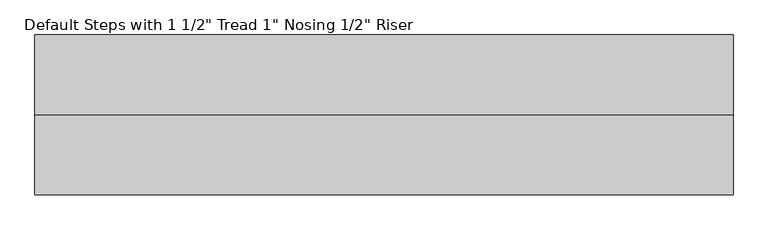
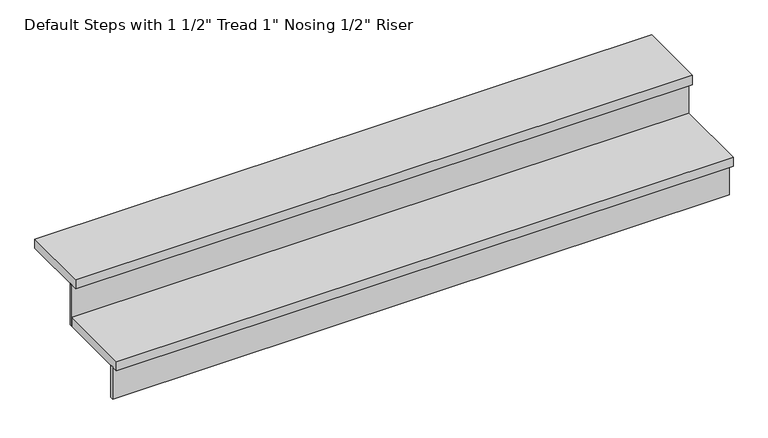
"""IFC4 building model written with IfcOpenShell, lengths in millimetres: stair flight geometry."""

from ifc_helpers import new_model, si_unit, frame, origin, place, context, project, spatial, polyline, outline, extrude, source, transform, mapped, element, save


def stair_flight_0ad82375(model_context):
    return source(origin(), model_context, "Body", "SweptSolid", [
        extrude(outline(polyline([(-106528.2609455, 80127.5534734), (-106528.2609455, 80114.8534734), (-108966.6609455, 80114.8534734), (-108966.6609455, 80127.5534734), (-106528.2609455, 80127.5534734)])), frame((0.0, 0.0, 172.9153846), z_axis=(0.0, 0.0, 1.0), x_axis=(1.0, 0.0, 0.0)), (0.0, 0.0, 1.0), 134.8153846),
        extrude(outline(polyline([(-108966.6609455, 80394.2534734), (-106528.2609455, 80394.2534734), (-106528.2609455, 80089.4534734), (-108966.6609455, 80089.4534734), (-108966.6609455, 80394.2534734)])), frame((0.0, 0.0, 307.7307692), z_axis=(0.0, 0.0, 1.0), x_axis=(1.0, 0.0, 0.0)), (0.0, 0.0, 1.0), 38.1),
        extrude(outline(polyline([(-106528.2609455, 80406.9534734), (-106528.2609455, 80394.2534734), (-108966.6609455, 80394.2534734), (-108966.6609455, 80406.9534734), (-106528.2609455, 80406.9534734)])), frame((0.0, 0.0, 307.7307692), z_axis=(0.0, 0.0, 1.0), x_axis=(1.0, 0.0, 0.0)), (0.0, 0.0, 1.0), 172.9153846),
        extrude(outline(polyline([(-108966.6609455, 80648.2534734), (-106528.2609455, 80648.2534734), (-106528.2609455, 80368.8534734), (-108966.6609455, 80368.8534734), (-108966.6609455, 80648.2534734)])), frame((0.0, 0.0, 480.6461538), z_axis=(0.0, 0.0, 1.0), x_axis=(1.0, 0.0, 0.0)), (0.0, 0.0, 1.0), 38.1),
    ])


if __name__ == "__main__":
    model = new_model("IFC4")
    model_context = context("Model", 3, world=origin())
    ifc_project = project(units=[si_unit("LENGTHUNIT", "METRE", prefix="MILLI")], contexts=[model_context])
    site = spatial("IfcSite", under=ifc_project)
    building = spatial("IfcBuilding", under=site)
    placement = place(None, origin())
    stair_flight_shape = stair_flight_0ad82375(model_context)
    element("IfcStairFlight", 1, ObjectType="Default Steps with 1 1/2\" Tread 1\" Nosing 1/2\" Riser", at=placement, inside=building, context=model_context, shape_type="MappedRepresentation", body=[
        mapped(stair_flight_shape, transform((0.0, 0.0, 0.0), x_axis=(1.0, 0.0, 0.0), y_axis=(0.0, 1.0, 0.0), z_axis=(0.0, 0.0, 1.0))),
    ])
    save(model, "model.ifc")
